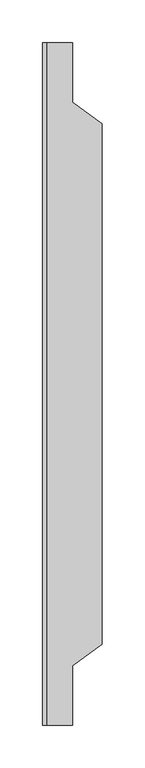
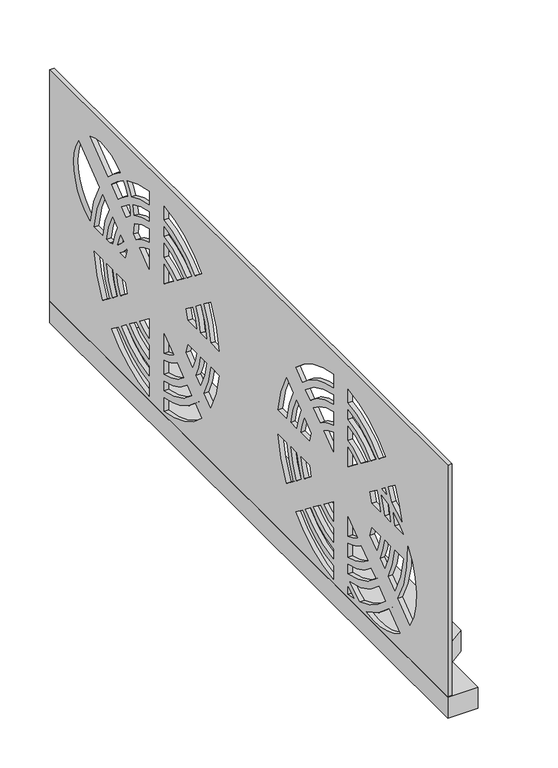
"""IFC4 building model written with IfcOpenShell, lengths in millimetres: proxy geometry."""

from ifc_helpers import new_model, si_unit, point, frame, frame_2d, origin, origin_with_axes, place, context, project, spatial, polyline, circle_curve, trimmed, segment, composite_curve, outline, extrude, source, transform, mapped, element, save


def specialty_equipment_d9f46bde(model_context):
    return source(origin(), model_context, "Body", "SweptSolid", [
        extrude(outline(polyline([(-1157.5, 395.0345723), (-1122.5, 395.0345723), (-1122.5, 325.0345723), (-1087.5, 300.0345723), (-1087.5, -309.9654277), (-1122.5, -334.9654277), (-1122.5, -404.9654277), (-1157.5, -404.9654277), (-1157.5, 395.0345723)])), origin_with_axes(), (0.0, 0.0, 1.0), 26.0),
        extrude(outline(polyline([(395.0345723, 310.0), (395.0345723, 0.0), (-404.9654277, 0.0), (-404.9654277, 310.0), (395.0345723, 310.0)]), holes=[composite_curve([segment(trimmed(circle_curve(frame_2d((-259.9654277, 112.0)), 82.0), [point((-324.8474355, 162.143046))], [point((-329.2620503, 68.1596295))], True, "CARTESIAN"), True, "CONTINUOUS"), segment(polyline([(-329.2620503, 68.1596295), (-305.4144151, 86.5247809)]), True, "CONTINUOUS"), segment(trimmed(circle_curve(frame_2d((-189.9654277, 156.5)), 135.0), [point((-305.4144151, 86.5247809))], [point((-324.8474355, 162.143046))], False, "CARTESIAN"), True, "CONTINUOUS")], self_intersect=False), composite_curve([segment(trimmed(circle_curve(frame_2d((-189.9654275, 156.5)), 126.5000002), [point((-315.4670051, 172.3620319))], [point((-315.5729513, 171.5))], True, "CARTESIAN"), True, "CONTINUOUS"), segment(polyline([(-315.5729513, 171.5), (-298.9379012, 171.5)]), True, "CONTINUOUS"), segment(trimmed(circle_curve(frame_2d((-189.9654277, 156.5)), 110.0), [point((-298.9379012, 171.5))], [point((-296.0352847, 185.6407863))], False, "CARTESIAN"), True, "CONTINUOUS"), segment(trimmed(circle_curve(frame_2d((-259.9654277, 112.0)), 82.0), [point((-296.0352847, 185.6407863))], [point((-315.4670051, 172.3620319))], True, "CARTESIAN"), True, "CONTINUOUS")], self_intersect=False), composite_curve([segment(trimmed(circle_curve(frame_2d((-189.9654277, 156.5)), 126.5), [point((-298.6351452, 221.2544785))], [point((-313.1636, 185.2134172))], True, "CARTESIAN"), True, "CONTINUOUS"), segment(trimmed(circle_curve(frame_2d((-259.9654277, 112.0)), 90.5), [point((-313.1636, 185.2134172))], [point((-292.4465328, 196.4702777))], False, "CARTESIAN"), True, "CONTINUOUS"), segment(trimmed(circle_curve(frame_2d((-189.9654277, 156.5)), 110.0), [point((-292.4465328, 196.4702777))], [point((-285.4553673, 211.1046831))], False, "CARTESIAN"), True, "CONTINUOUS"), segment(polyline([(-285.4553673, 211.1046831), (-298.6351452, 221.2544785)]), True, "CONTINUOUS")], self_intersect=False), composite_curve([segment(polyline([(-298.9379012, 141.5), (-315.5729513, 141.5)]), True, "CONTINUOUS"), segment(trimmed(circle_curve(frame_2d((-189.9654277, 156.5)), 126.5), [point((-315.5729513, 141.5))], [point((-298.6351452, 91.7455215))], True, "CARTESIAN"), True, "CONTINUOUS"), segment(polyline([(-298.6351452, 91.7455215), (-285.4553673, 101.8953169)]), True, "CONTINUOUS"), segment(trimmed(circle_curve(frame_2d((-189.9654277, 156.5)), 110.0), [point((-285.4553673, 101.8953169))], [point((-298.9379012, 141.5))], False, "CARTESIAN"), True, "CONTINUOUS")], self_intersect=False), composite_curve([segment(trimmed(circle_curve(frame_2d((-189.9654277, 156.5)), 101.5), [point((-278.6520026, 205.8653869))], [point((-281.7473904, 199.8396044))], True, "CARTESIAN"), True, "CONTINUOUS"), segment(trimmed(circle_curve(frame_2d((-259.9654277, 112.0)), 90.5), [point((-281.7473904, 199.8396044))], [point((-273.0476541, 201.5494576))], False, "CARTESIAN"), True, "CONTINUOUS"), segment(polyline([(-273.0476541, 201.5494576), (-278.6520026, 205.8653869)]), True, "CONTINUOUS")], self_intersect=False), composite_curve([segment(trimmed(circle_curve(frame_2d((-189.9654277, 156.5)), 101.5), [point((-285.8442041, 189.8093113))], [point((-290.3509346, 171.5))], True, "CARTESIAN"), True, "CONTINUOUS"), segment(polyline([(-290.3509346, 171.5), (-278.7066244, 171.5)]), True, "CONTINUOUS"), segment(trimmed(circle_curve(frame_2d((-189.9654277, 156.5)), 90.0), [point((-278.7066244, 171.5))], [point((-272.1949248, 193.0829168))], False, "CARTESIAN"), True, "CONTINUOUS"), segment(trimmed(circle_curve(frame_2d((-259.9654277, 112.0)), 82.0), [point((-272.1949248, 193.0829168))], [point((-285.8442041, 189.8093113))], True, "CARTESIAN"), True, "CONTINUOUS")], self_intersect=False), composite_curve([segment(polyline([(-278.7066244, 141.5), (-290.3509346, 141.5)]), True, "CONTINUOUS"), segment(trimmed(circle_curve(frame_2d((-189.9654277, 156.5)), 101.5), [point((-290.3509346, 141.5))], [point((-278.6520026, 107.1346131))], True, "CARTESIAN"), True, "CONTINUOUS"), segment(polyline([(-278.6520026, 107.1346131), (-269.4263362, 114.2393326)]), True, "CONTINUOUS"), segment(trimmed(circle_curve(frame_2d((-189.9654277, 156.5)), 90.0), [point((-269.4263362, 114.2393326))], [point((-278.7066244, 141.5))], False, "CARTESIAN"), True, "CONTINUOUS")], self_intersect=False), composite_curve([segment(trimmed(circle_curve(frame_2d((-189.9654277, 156.5)), 81.5), [point((-262.5861378, 193.4930055))], [point((-270.0731676, 171.5))], True, "CARTESIAN"), True, "CONTINUOUS"), segment(polyline([(-270.0731676, 171.5), (-253.2109809, 171.5)]), True, "CONTINUOUS"), segment(trimmed(circle_curve(frame_2d((-189.9654277, 156.5)), 65.0), [point((-253.2109809, 171.5))], [point((-249.2264019, 183.2046238))], False, "CARTESIAN"), True, "CONTINUOUS"), segment(polyline([(-249.2264019, 183.2046238), (-262.5861378, 193.4930055)]), True, "CONTINUOUS")], self_intersect=False), composite_curve([segment(polyline([(-253.2109809, 141.5), (-270.0731676, 141.5)]), True, "CONTINUOUS"), segment(trimmed(circle_curve(frame_2d((-189.9654277, 156.5)), 81.5), [point((-270.0731676, 141.5))], [point((-262.5861378, 119.5069945))], True, "CARTESIAN"), True, "CONTINUOUS"), segment(polyline([(-262.5861378, 119.5069945), (-249.2264019, 129.7953762)]), True, "CONTINUOUS"), segment(trimmed(circle_curve(frame_2d((-189.9654277, 156.5)), 65.0), [point((-249.2264019, 129.7953762))], [point((-253.2109809, 141.5))], False, "CARTESIAN"), True, "CONTINUOUS")], self_intersect=False), composite_curve([segment(polyline([(-287.1100602, 62.7560916), (-308.7504103, 46.0907786)]), True, "CONTINUOUS"), segment(trimmed(circle_curve(frame_2d((-259.9654277, 112.0)), 82.0), [point((-308.7504103, 46.0907786))], [point((-242.0951563, 31.9709215))], True, "CARTESIAN"), True, "CONTINUOUS"), segment(trimmed(circle_curve(frame_2d((-189.9654277, 156.5)), 135.0), [point((-242.0951563, 31.9709215))], [point((-287.1100602, 62.7560916))], False, "CARTESIAN"), True, "CONTINUOUS")], self_intersect=False), composite_curve([segment(polyline([(-267.1510124, 78.1266276), (-280.3307903, 67.9768322)]), True, "CONTINUOUS"), segment(trimmed(circle_curve(frame_2d((-189.9654277, 156.5)), 126.5), [point((-280.3307903, 67.9768322))], [point((-228.8612195, 36.1282119))], True, "CARTESIAN"), True, "CONTINUOUS"), segment(trimmed(circle_curve(frame_2d((-259.9654277, 112.0)), 82.0), [point((-228.8612195, 36.1282119))], [point((-208.5912575, 48.0883841))], True, "CARTESIAN"), True, "CONTINUOUS"), segment(trimmed(circle_curve(frame_2d((-189.9654277, 156.5)), 110.0), [point((-208.5912575, 48.0883841))], [point((-267.1510124, 78.1266276))], False, "CARTESIAN"), True, "CONTINUOUS")], self_intersect=False), composite_curve([segment(trimmed(circle_curve(frame_2d((-189.9654277, 156.5)), 126.5), [point((-204.9654277, 282.1075237))], [point((-280.3307903, 245.0231678))], True, "CARTESIAN"), True, "CONTINUOUS"), segment(polyline([(-280.3307903, 245.0231678), (-267.1510124, 234.8733724)]), True, "CONTINUOUS"), segment(trimmed(circle_curve(frame_2d((-189.9654277, 156.5)), 110.0), [point((-267.1510124, 234.8733724))], [point((-204.9654277, 265.4724736))], False, "CARTESIAN"), True, "CONTINUOUS"), segment(polyline([(-204.9654277, 265.4724736), (-204.9654277, 282.1075237)]), True, "CONTINUOUS")], self_intersect=False), composite_curve([segment(polyline([(-204.9654277, 126.0159748), (-223.9712241, 111.3795411)]), True, "CONTINUOUS"), segment(trimmed(circle_curve(frame_2d((-189.9654277, 156.5)), 56.5), [point((-223.9712241, 111.3795411))], [point((-204.9654277, 102.0275299))], True, "CARTESIAN"), True, "CONTINUOUS"), segment(polyline([(-204.9654277, 102.0275299), (-204.9654277, 126.0159748)]), True, "CONTINUOUS")], self_intersect=False), composite_curve([segment(trimmed(circle_curve(frame_2d((-189.9654277, 156.5)), 65.0), [point((-204.9654277, 93.2544468))], [point((-230.922047, 106.0266869))], False, "CARTESIAN"), True, "CONTINUOUS"), segment(polyline([(-230.922047, 106.0266869), (-244.2817829, 95.7383052)]), True, "CONTINUOUS"), segment(trimmed(circle_curve(frame_2d((-189.9654277, 156.5)), 81.5), [point((-244.2817829, 95.7383052))], [point((-204.9654277, 76.39226))], True, "CARTESIAN"), True, "CONTINUOUS"), segment(polyline([(-204.9654277, 76.39226), (-204.9654277, 93.2544468)]), True, "CONTINUOUS")], self_intersect=False), composite_curve([segment(trimmed(circle_curve(frame_2d((-189.9654277, 156.5)), 56.5), [point((-204.9654277, 210.9724701))], [point((-223.9712241, 201.6204589))], True, "CARTESIAN"), True, "CONTINUOUS"), segment(polyline([(-223.9712241, 201.6204589), (-204.9654277, 186.9840252), (-204.9654277, 210.9724701)]), True, "CONTINUOUS")], self_intersect=False), composite_curve([segment(polyline([(-244.2817829, 217.2616948), (-230.922047, 206.9733131)]), True, "CONTINUOUS"), segment(trimmed(circle_curve(frame_2d((-189.9654277, 156.5)), 65.0), [point((-230.922047, 206.9733131))], [point((-204.9654277, 219.7455532))], False, "CARTESIAN"), True, "CONTINUOUS"), segment(polyline([(-204.9654277, 219.7455532), (-204.9654277, 236.60774)]), True, "CONTINUOUS"), segment(trimmed(circle_curve(frame_2d((-189.9654277, 156.5)), 81.5), [point((-204.9654277, 236.60774))], [point((-244.2817829, 217.2616948))], True, "CARTESIAN"), True, "CONTINUOUS")], self_intersect=False), composite_curve([segment(trimmed(circle_curve(frame_2d((-189.9654277, 156.5)), 90.0), [point((-204.9654277, 67.7588033))], [point((-251.1219813, 90.4706433))], False, "CARTESIAN"), True, "CONTINUOUS"), segment(polyline([(-251.1219813, 90.4706433), (-260.3476477, 83.3659238)]), True, "CONTINUOUS"), segment(trimmed(circle_curve(frame_2d((-189.9654277, 156.5)), 101.5), [point((-260.3476477, 83.3659238))], [point((-204.9654277, 56.1144931))], True, "CARTESIAN"), True, "CONTINUOUS"), segment(polyline([(-204.9654277, 56.1144931), (-204.9654277, 67.7588033)]), True, "CONTINUOUS")], self_intersect=False), composite_curve([segment(polyline([(-260.3476477, 229.6340762), (-251.1219813, 222.5293567)]), True, "CONTINUOUS"), segment(trimmed(circle_curve(frame_2d((-189.9654277, 156.5)), 90.0), [point((-251.1219813, 222.5293567))], [point((-204.9654277, 245.2411967))], False, "CARTESIAN"), True, "CONTINUOUS"), segment(polyline([(-204.9654277, 245.2411967), (-204.9654277, 256.8855069)]), True, "CONTINUOUS"), segment(trimmed(circle_curve(frame_2d((-189.9654277, 156.5)), 101.5), [point((-204.9654277, 256.8855069))], [point((-260.3476477, 229.6340762))], True, "CARTESIAN"), True, "CONTINUOUS")], self_intersect=False), composite_curve([segment(trimmed(circle_curve(frame_2d((-259.9654277, 112.0)), 90.5), [point((-204.9654277, 40.1303263))], [point((-216.2469254, 32.7602211))], False, "CARTESIAN"), True, "CONTINUOUS"), segment(trimmed(circle_curve(frame_2d((-189.9654277, 156.5)), 126.5), [point((-216.2469254, 32.7602211))], [point((-204.9654277, 30.8924763))], True, "CARTESIAN"), True, "CONTINUOUS"), segment(polyline([(-204.9654277, 30.8924763), (-204.9654277, 40.1303263)]), True, "CONTINUOUS")], self_intersect=False), composite_curve([segment(polyline([(-174.9654277, 126.0159748), (-174.9654277, 102.0275299)]), True, "CONTINUOUS"), segment(trimmed(circle_curve(frame_2d((-189.9654277, 156.5)), 56.5), [point((-174.9654277, 102.0275299))], [point((-155.9596312, 111.3795411))], True, "CARTESIAN"), True, "CONTINUOUS"), segment(polyline([(-155.9596312, 111.3795411), (-174.9654277, 126.0159748)]), True, "CONTINUOUS")], self_intersect=False), composite_curve([segment(polyline([(-174.9654277, 210.9724701), (-174.9654277, 186.9840252), (-155.9596312, 201.6204589)]), True, "CONTINUOUS"), segment(trimmed(circle_curve(frame_2d((-189.9654277, 156.5)), 56.5), [point((-155.9596312, 201.6204589))], [point((-174.9654277, 210.9724701))], True, "CARTESIAN"), True, "CONTINUOUS")], self_intersect=False), composite_curve([segment(trimmed(circle_curve(frame_2d((-189.9654277, 156.5)), 65.0), [point((-149.0088083, 106.0266869))], [point((-174.9654277, 93.2544468))], False, "CARTESIAN"), True, "CONTINUOUS"), segment(polyline([(-174.9654277, 93.2544468), (-174.9654277, 76.39226)]), True, "CONTINUOUS"), segment(trimmed(circle_curve(frame_2d((-189.9654277, 156.5)), 81.5), [point((-174.9654277, 76.39226))], [point((-135.6490724, 95.7383052))], True, "CARTESIAN"), True, "CONTINUOUS"), segment(polyline([(-135.6490724, 95.7383052), (-149.0088083, 106.0266869)]), True, "CONTINUOUS")], self_intersect=False), composite_curve([segment(polyline([(-174.9654277, 236.60774), (-174.9654277, 219.7455532)]), True, "CONTINUOUS"), segment(trimmed(circle_curve(frame_2d((-189.9654277, 156.5)), 65.0), [point((-174.9654277, 219.7455532))], [point((-149.0088083, 206.9733131))], False, "CARTESIAN"), True, "CONTINUOUS"), segment(polyline([(-149.0088083, 206.9733131), (-135.6490724, 217.2616948)]), True, "CONTINUOUS"), segment(trimmed(circle_curve(frame_2d((-189.9654277, 156.5)), 81.5), [point((-135.6490724, 217.2616948))], [point((-174.9654277, 236.60774))], True, "CARTESIAN"), True, "CONTINUOUS")], self_intersect=False), composite_curve([segment(trimmed(circle_curve(frame_2d((-189.9654277, 156.5)), 90.0), [point((-128.808874, 90.4706433))], [point((-174.9654277, 67.7588033))], False, "CARTESIAN"), True, "CONTINUOUS"), segment(polyline([(-174.9654277, 67.7588033), (-174.9654277, 56.1144931)]), True, "CONTINUOUS"), segment(trimmed(circle_curve(frame_2d((-189.9654277, 156.5)), 101.5), [point((-174.9654277, 56.1144931))], [point((-119.5832076, 83.3659238))], True, "CARTESIAN"), True, "CONTINUOUS"), segment(polyline([(-119.5832076, 83.3659238), (-128.808874, 90.4706433)]), True, "CONTINUOUS")], self_intersect=False), composite_curve([segment(polyline([(-174.9654277, 256.8855069), (-174.9654277, 245.2411967)]), True, "CONTINUOUS"), segment(trimmed(circle_curve(frame_2d((-189.9654277, 156.5)), 90.0), [point((-174.9654277, 245.2411967))], [point((-128.808874, 222.5293567))], False, "CARTESIAN"), True, "CONTINUOUS"), segment(polyline([(-128.808874, 222.5293567), (-119.5832076, 229.6340762)]), True, "CONTINUOUS"), segment(trimmed(circle_curve(frame_2d((-189.9654277, 156.5)), 101.5), [point((-119.5832076, 229.6340762))], [point((-174.9654277, 256.8855069))], True, "CARTESIAN"), True, "CONTINUOUS")], self_intersect=False), composite_curve([segment(polyline([(-117.3447175, 193.4930055), (-130.7044534, 183.2046238)]), True, "CONTINUOUS"), segment(trimmed(circle_curve(frame_2d((-189.9654277, 156.5)), 65.0), [point((-130.7044534, 183.2046238))], [point((-126.7198745, 171.5))], False, "CARTESIAN"), True, "CONTINUOUS"), segment(polyline([(-126.7198745, 171.5), (-109.8576877, 171.5)]), True, "CONTINUOUS"), segment(trimmed(circle_curve(frame_2d((-189.9654277, 156.5)), 81.5), [point((-109.8576877, 171.5))], [point((-117.3447175, 193.4930055))], True, "CARTESIAN"), True, "CONTINUOUS")], self_intersect=False), composite_curve([segment(trimmed(circle_curve(frame_2d((-189.9654277, 156.5)), 65.0), [point((-126.7198745, 141.5))], [point((-130.7044534, 129.7953762))], False, "CARTESIAN"), True, "CONTINUOUS"), segment(polyline([(-130.7044534, 129.7953762), (-117.3447175, 119.5069945)]), True, "CONTINUOUS"), segment(trimmed(circle_curve(frame_2d((-189.9654277, 156.5)), 81.5), [point((-117.3447175, 119.5069945))], [point((-109.8576877, 141.5))], True, "CARTESIAN"), True, "CONTINUOUS"), segment(polyline([(-109.8576877, 141.5), (-126.7198745, 141.5)]), True, "CONTINUOUS")], self_intersect=False), composite_curve([segment(trimmed(circle_curve(frame_2d((-189.9654277, 156.5)), 110.0), [point((-112.7798429, 78.1266276))], [point((-174.9654277, 47.5275264))], False, "CARTESIAN"), True, "CONTINUOUS"), segment(polyline([(-174.9654277, 47.5275264), (-174.9654277, 30.8924763)]), True, "CONTINUOUS"), segment(trimmed(circle_curve(frame_2d((-189.9654277, 156.5)), 126.5), [point((-174.9654277, 30.8924763))], [point((-99.600065, 67.9768322))], True, "CARTESIAN"), True, "CONTINUOUS"), segment(polyline([(-99.600065, 67.9768322), (-112.7798429, 78.1266276)]), True, "CONTINUOUS")], self_intersect=False), composite_curve([segment(polyline([(-174.9654277, 282.1075237), (-174.9654277, 265.4724736)]), True, "CONTINUOUS"), segment(trimmed(circle_curve(frame_2d((-189.9654277, 156.5)), 110.0), [point((-174.9654277, 265.4724736))], [point((-112.7798429, 234.8733724))], False, "CARTESIAN"), True, "CONTINUOUS"), segment(polyline([(-112.7798429, 234.8733724), (-99.600065, 245.0231678)]), True, "CONTINUOUS"), segment(trimmed(circle_curve(frame_2d((-189.9654277, 156.5)), 126.5), [point((-99.600065, 245.0231678))], [point((-174.9654277, 282.1075237))], True, "CARTESIAN"), True, "CONTINUOUS")], self_intersect=False), composite_curve([segment(trimmed(circle_curve(frame_2d((-189.9654277, 156.5)), 90.0), [point((-101.2242309, 141.5))], [point((-110.5045191, 114.2393326))], False, "CARTESIAN"), True, "CONTINUOUS"), segment(polyline([(-110.5045191, 114.2393326), (-101.2788527, 107.1346131)]), True, "CONTINUOUS"), segment(trimmed(circle_curve(frame_2d((-189.9654277, 156.5)), 101.5), [point((-101.2788527, 107.1346131))], [point((-89.5799207, 141.5))], True, "CARTESIAN"), True, "CONTINUOUS"), segment(polyline([(-89.5799207, 141.5), (-101.2242309, 141.5)]), True, "CONTINUOUS")], self_intersect=False), composite_curve([segment(polyline([(-101.2788527, 205.8653869), (-110.5045191, 198.7606674)]), True, "CONTINUOUS"), segment(trimmed(circle_curve(frame_2d((-189.9654277, 156.5)), 90.0), [point((-110.5045191, 198.7606674))], [point((-101.2242309, 171.5))], False, "CARTESIAN"), True, "CONTINUOUS"), segment(polyline([(-101.2242309, 171.5), (-89.5799207, 171.5)]), True, "CONTINUOUS"), segment(trimmed(circle_curve(frame_2d((-189.9654277, 156.5)), 101.5), [point((-89.5799207, 171.5))], [point((-101.2788527, 205.8653869))], True, "CARTESIAN"), True, "CONTINUOUS")], self_intersect=False), composite_curve([segment(polyline([(-81.2957101, 221.2544785), (-94.475488, 211.1046831)]), True, "CONTINUOUS"), segment(trimmed(circle_curve(frame_2d((-189.9654277, 156.5)), 110.0), [point((-94.475488, 211.1046831))], [point((-80.9929541, 171.5))], False, "CARTESIAN"), True, "CONTINUOUS"), segment(polyline([(-80.9929541, 171.5), (-64.357904, 171.5)]), True, "CONTINUOUS"), segment(trimmed(circle_curve(frame_2d((-189.9654277, 156.5)), 126.5), [point((-64.357904, 171.5))], [point((-81.2957101, 221.2544785))], True, "CARTESIAN"), True, "CONTINUOUS")], self_intersect=False), composite_curve([segment(trimmed(circle_curve(frame_2d((-189.9654277, 156.5)), 110.0), [point((-80.9929541, 141.5))], [point((-94.475488, 101.8953169))], False, "CARTESIAN"), True, "CONTINUOUS"), segment(polyline([(-94.475488, 101.8953169), (-81.2957101, 91.7455215)]), True, "CONTINUOUS"), segment(trimmed(circle_curve(frame_2d((-189.9654277, 156.5)), 126.5), [point((-81.2957101, 91.7455215))], [point((-64.357904, 141.5))], True, "CARTESIAN"), True, "CONTINUOUS"), segment(polyline([(-64.357904, 141.5), (-80.9929541, 141.5)]), True, "CONTINUOUS")], self_intersect=False), composite_curve([segment(trimmed(circle_curve(frame_2d((180.0345723, 156.5)), 126.5), [point((71.3648548, 221.2544785))], [point((54.4270487, 171.5))], True, "CARTESIAN"), True, "CONTINUOUS"), segment(polyline([(54.4270487, 171.5), (71.0620988, 171.5)]), True, "CONTINUOUS"), segment(trimmed(circle_curve(frame_2d((180.0345723, 156.5)), 110.0), [point((71.0620988, 171.5))], [point((84.5446327, 211.1046831))], False, "CARTESIAN"), True, "CONTINUOUS"), segment(polyline([(84.5446327, 211.1046831), (71.3648548, 221.2544785)]), True, "CONTINUOUS")], self_intersect=False), composite_curve([segment(polyline([(71.0620988, 141.5), (54.4270487, 141.5)]), True, "CONTINUOUS"), segment(trimmed(circle_curve(frame_2d((180.0345723, 156.5)), 126.5), [point((54.4270487, 141.5))], [point((71.3648548, 91.7455215))], True, "CARTESIAN"), True, "CONTINUOUS"), segment(polyline([(71.3648548, 91.7455215), (84.5446327, 101.8953169)]), True, "CONTINUOUS"), segment(trimmed(circle_curve(frame_2d((180.0345723, 156.5)), 110.0), [point((84.5446327, 101.8953169))], [point((71.0620988, 141.5))], False, "CARTESIAN"), True, "CONTINUOUS")], self_intersect=False), composite_curve([segment(trimmed(circle_curve(frame_2d((180.0345723, 156.5)), 101.5), [point((91.3479974, 205.8653869))], [point((79.6490654, 171.5))], True, "CARTESIAN"), True, "CONTINUOUS"), segment(polyline([(79.6490654, 171.5), (91.2933756, 171.5)]), True, "CONTINUOUS"), segment(trimmed(circle_curve(frame_2d((180.0345723, 156.5)), 90.0), [point((91.2933756, 171.5))], [point((100.5736638, 198.7606674))], False, "CARTESIAN"), True, "CONTINUOUS"), segment(polyline([(100.5736638, 198.7606674), (91.3479974, 205.8653869)]), True, "CONTINUOUS")], self_intersect=False), composite_curve([segment(polyline([(91.2933756, 141.5), (79.6490654, 141.5)]), True, "CONTINUOUS"), segment(trimmed(circle_curve(frame_2d((180.0345723, 156.5)), 101.5), [point((79.6490654, 141.5))], [point((91.3479974, 107.1346131))], True, "CARTESIAN"), True, "CONTINUOUS"), segment(polyline([(91.3479974, 107.1346131), (100.5736638, 114.2393326)]), True, "CONTINUOUS"), segment(trimmed(circle_curve(frame_2d((180.0345723, 156.5)), 90.0), [point((100.5736638, 114.2393326))], [point((91.2933756, 141.5))], False, "CARTESIAN"), True, "CONTINUOUS")], self_intersect=False), composite_curve([segment(polyline([(116.7890191, 141.5), (99.9268324, 141.5)]), True, "CONTINUOUS"), segment(trimmed(circle_curve(frame_2d((180.0345723, 156.5)), 81.5), [point((99.9268324, 141.5))], [point((107.4138622, 119.5069945))], True, "CARTESIAN"), True, "CONTINUOUS"), segment(polyline([(107.4138622, 119.5069945), (120.7735981, 129.7953762)]), True, "CONTINUOUS"), segment(trimmed(circle_curve(frame_2d((180.0345723, 156.5)), 65.0), [point((120.7735981, 129.7953762))], [point((116.7890191, 141.5))], False, "CARTESIAN"), True, "CONTINUOUS")], self_intersect=False), composite_curve([segment(trimmed(circle_curve(frame_2d((180.0345723, 156.5)), 81.5), [point((107.4138622, 193.4930055))], [point((99.9268324, 171.5))], True, "CARTESIAN"), True, "CONTINUOUS"), segment(polyline([(99.9268324, 171.5), (116.7890191, 171.5)]), True, "CONTINUOUS"), segment(trimmed(circle_curve(frame_2d((180.0345723, 156.5)), 65.0), [point((116.7890191, 171.5))], [point((120.7735981, 183.2046238))], False, "CARTESIAN"), True, "CONTINUOUS"), segment(polyline([(120.7735981, 183.2046238), (107.4138622, 193.4930055)]), True, "CONTINUOUS")], self_intersect=False), composite_curve([segment(trimmed(circle_curve(frame_2d((180.0345723, 156.5)), 126.5), [point((165.0345723, 282.1075237))], [point((89.6692097, 245.0231678))], True, "CARTESIAN"), True, "CONTINUOUS"), segment(polyline([(89.6692097, 245.0231678), (102.8489876, 234.8733724)]), True, "CONTINUOUS"), segment(trimmed(circle_curve(frame_2d((180.0345723, 156.5)), 110.0), [point((102.8489876, 234.8733724))], [point((165.0345723, 265.4724736))], False, "CARTESIAN"), True, "CONTINUOUS"), segment(polyline([(165.0345723, 265.4724736), (165.0345723, 282.1075237)]), True, "CONTINUOUS")], self_intersect=False), composite_curve([segment(polyline([(165.0345723, 126.0159748), (146.0287759, 111.3795411)]), True, "CONTINUOUS"), segment(trimmed(circle_curve(frame_2d((180.0345723, 156.5)), 56.5), [point((146.0287759, 111.3795411))], [point((165.0345723, 102.0275299))], True, "CARTESIAN"), True, "CONTINUOUS"), segment(polyline([(165.0345723, 102.0275299), (165.0345723, 126.0159748)]), True, "CONTINUOUS")], self_intersect=False), composite_curve([segment(trimmed(circle_curve(frame_2d((180.0345723, 156.5)), 65.0), [point((165.0345723, 93.2544468))], [point((139.077953, 106.0266869))], False, "CARTESIAN"), True, "CONTINUOUS"), segment(polyline([(139.077953, 106.0266869), (125.7182171, 95.7383052)]), True, "CONTINUOUS"), segment(trimmed(circle_curve(frame_2d((180.0345723, 156.5)), 81.5), [point((125.7182171, 95.7383052))], [point((165.0345723, 76.39226))], True, "CARTESIAN"), True, "CONTINUOUS"), segment(polyline([(165.0345723, 76.39226), (165.0345723, 93.2544468)]), True, "CONTINUOUS")], self_intersect=False), composite_curve([segment(trimmed(circle_curve(frame_2d((180.0345723, 156.5)), 56.5), [point((165.0345723, 210.9724701))], [point((146.0287759, 201.6204589))], True, "CARTESIAN"), True, "CONTINUOUS"), segment(polyline([(146.0287759, 201.6204589), (165.0345723, 186.9840252), (165.0345723, 210.9724701)]), True, "CONTINUOUS")], self_intersect=False), composite_curve([segment(polyline([(125.7182171, 217.2616948), (139.077953, 206.9733131)]), True, "CONTINUOUS"), segment(trimmed(circle_curve(frame_2d((180.0345723, 156.5)), 65.0), [point((139.077953, 206.9733131))], [point((165.0345723, 219.7455532))], False, "CARTESIAN"), True, "CONTINUOUS"), segment(polyline([(165.0345723, 219.7455532), (165.0345723, 236.60774)]), True, "CONTINUOUS"), segment(trimmed(circle_curve(frame_2d((180.0345723, 156.5)), 81.5), [point((165.0345723, 236.60774))], [point((125.7182171, 217.2616948))], True, "CARTESIAN"), True, "CONTINUOUS")], self_intersect=False), composite_curve([segment(trimmed(circle_curve(frame_2d((180.0345723, 156.5)), 90.0), [point((165.0345723, 67.7588033))], [point((118.8780187, 90.4706433))], False, "CARTESIAN"), True, "CONTINUOUS"), segment(polyline([(118.8780187, 90.4706433), (109.6523523, 83.3659238)]), True, "CONTINUOUS"), segment(trimmed(circle_curve(frame_2d((180.0345723, 156.5)), 101.5), [point((109.6523523, 83.3659238))], [point((165.0345723, 56.1144931))], True, "CARTESIAN"), True, "CONTINUOUS"), segment(polyline([(165.0345723, 56.1144931), (165.0345723, 67.7588033)]), True, "CONTINUOUS")], self_intersect=False), composite_curve([segment(polyline([(109.6523523, 229.6340762), (118.8780187, 222.5293567)]), True, "CONTINUOUS"), segment(trimmed(circle_curve(frame_2d((180.0345723, 156.5)), 90.0), [point((118.8780187, 222.5293567))], [point((165.0345723, 245.2411967))], False, "CARTESIAN"), True, "CONTINUOUS"), segment(polyline([(165.0345723, 245.2411967), (165.0345723, 256.8855069)]), True, "CONTINUOUS"), segment(trimmed(circle_curve(frame_2d((180.0345723, 156.5)), 101.5), [point((165.0345723, 256.8855069))], [point((109.6523523, 229.6340762))], True, "CARTESIAN"), True, "CONTINUOUS")], self_intersect=False), composite_curve([segment(trimmed(circle_curve(frame_2d((180.0345723, 156.5)), 110.0), [point((165.0345723, 47.5275264))], [point((102.8489876, 78.1266276))], False, "CARTESIAN"), True, "CONTINUOUS"), segment(polyline([(102.8489876, 78.1266276), (89.6692097, 67.9768322)]), True, "CONTINUOUS"), segment(trimmed(circle_curve(frame_2d((180.0345723, 156.5)), 126.5), [point((89.6692097, 67.9768322))], [point((165.0345723, 30.8924763))], True, "CARTESIAN"), True, "CONTINUOUS"), segment(polyline([(165.0345723, 30.8924763), (165.0345723, 47.5275264)]), True, "CONTINUOUS")], self_intersect=False), composite_curve([segment(polyline([(195.0345723, 126.0159748), (195.0345723, 102.0275299)]), True, "CONTINUOUS"), segment(trimmed(circle_curve(frame_2d((180.0345723, 156.5)), 56.5), [point((195.0345723, 102.0275299))], [point((214.0403688, 111.3795411))], True, "CARTESIAN"), True, "CONTINUOUS"), segment(polyline([(214.0403688, 111.3795411), (195.0345723, 126.0159748)]), True, "CONTINUOUS")], self_intersect=False), composite_curve([segment(polyline([(195.0345723, 210.9724701), (195.0345723, 186.9840252), (214.0403688, 201.6204589)]), True, "CONTINUOUS"), segment(trimmed(circle_curve(frame_2d((180.0345723, 156.5)), 56.5), [point((214.0403688, 201.6204589))], [point((195.0345723, 210.9724701))], True, "CARTESIAN"), True, "CONTINUOUS")], self_intersect=False), composite_curve([segment(trimmed(circle_curve(frame_2d((180.0345723, 156.5)), 81.5), [point((224.5460973, 224.7713274))], [point((195.0345723, 236.60774))], True, "CARTESIAN"), True, "CONTINUOUS"), segment(polyline([(195.0345723, 236.60774), (195.0345723, 219.7455532)]), True, "CONTINUOUS"), segment(trimmed(circle_curve(frame_2d((180.0345723, 156.5)), 65.0), [point((195.0345723, 219.7455532))], [point((220.9911917, 206.9733131))], False, "CARTESIAN"), True, "CONTINUOUS"), segment(polyline([(220.9911917, 206.9733131), (226.266785, 211.0360669)]), True, "CONTINUOUS"), segment(trimmed(circle_curve(frame_2d((290.0345723, 226.0)), 65.5), [point((226.266785, 211.0360669))], [point((224.5460973, 224.7713274))], False, "CARTESIAN"), True, "CONTINUOUS")], self_intersect=False), composite_curve([segment(polyline([(195.0345723, 256.8855069), (195.0345723, 245.2411967)]), True, "CONTINUOUS"), segment(trimmed(circle_curve(frame_2d((180.0345723, 156.5)), 90.0), [point((195.0345723, 245.2411967))], [point((225.0776813, 234.4173815))], False, "CARTESIAN"), True, "CONTINUOUS"), segment(trimmed(circle_curve(frame_2d((290.0345723, 226.0)), 65.5), [point((225.0776813, 234.4173815))], [point((227.6988323, 246.1123224))], False, "CARTESIAN"), True, "CONTINUOUS"), segment(trimmed(circle_curve(frame_2d((180.0345723, 156.5)), 101.5), [point((227.6988323, 246.1123224))], [point((195.0345723, 256.8855069))], True, "CARTESIAN"), True, "CONTINUOUS")], self_intersect=False), composite_curve([segment(trimmed(circle_curve(frame_2d((180.0345723, 156.5)), 65.0), [point((220.9911917, 106.0266869))], [point((195.0345723, 93.2544468))], False, "CARTESIAN"), True, "CONTINUOUS"), segment(polyline([(195.0345723, 93.2544468), (195.0345723, 76.39226)]), True, "CONTINUOUS"), segment(trimmed(circle_curve(frame_2d((180.0345723, 156.5)), 81.5), [point((195.0345723, 76.39226))], [point((234.3509276, 95.7383052))], True, "CARTESIAN"), True, "CONTINUOUS"), segment(polyline([(234.3509276, 95.7383052), (220.9911917, 106.0266869)]), True, "CONTINUOUS")], self_intersect=False), composite_curve([segment(polyline([(195.0345723, 282.1075237), (195.0345723, 265.4724736)]), True, "CONTINUOUS"), segment(trimmed(circle_curve(frame_2d((180.0345723, 156.5)), 110.0), [point((195.0345723, 265.4724736))], [point((230.8491925, 254.059594))], False, "CARTESIAN"), True, "CONTINUOUS"), segment(trimmed(circle_curve(frame_2d((290.0345723, 226.0)), 65.5), [point((230.8491925, 254.059594))], [point((239.7762502, 268.004179))], False, "CARTESIAN"), True, "CONTINUOUS"), segment(trimmed(circle_curve(frame_2d((180.0345723, 156.5)), 126.5), [point((239.7762502, 268.004179))], [point((195.0345723, 282.1075237))], True, "CARTESIAN"), True, "CONTINUOUS")], self_intersect=False), composite_curve([segment(trimmed(circle_curve(frame_2d((180.0345723, 156.5)), 90.0), [point((241.191126, 90.4706433))], [point((195.0345723, 67.7588033))], False, "CARTESIAN"), True, "CONTINUOUS"), segment(polyline([(195.0345723, 67.7588033), (195.0345723, 56.1144931)]), True, "CONTINUOUS"), segment(trimmed(circle_curve(frame_2d((180.0345723, 156.5)), 101.5), [point((195.0345723, 56.1144931))], [point((250.4167924, 83.3659238))], True, "CARTESIAN"), True, "CONTINUOUS"), segment(polyline([(250.4167924, 83.3659238), (241.191126, 90.4706433)]), True, "CONTINUOUS")], self_intersect=False), composite_curve([segment(trimmed(circle_curve(frame_2d((290.0345723, 226.0)), 57.0), [point((235.2332227, 241.6783952))], [point((233.1230514, 229.1747095))], True, "CARTESIAN"), True, "CONTINUOUS"), segment(trimmed(circle_curve(frame_2d((180.0345723, 156.5)), 90.0), [point((233.1230514, 229.1747095))], [point((241.191126, 222.5293567))], False, "CARTESIAN"), True, "CONTINUOUS"), segment(polyline([(241.191126, 222.5293567), (250.4167924, 229.6340762)]), True, "CONTINUOUS"), segment(trimmed(circle_curve(frame_2d((180.0345723, 156.5)), 101.5), [point((250.4167924, 229.6340762))], [point((235.2332227, 241.6783952))], True, "CARTESIAN"), True, "CONTINUOUS")], self_intersect=False), composite_curve([segment(polyline([(239.9910015, 183.7401962), (239.2955466, 183.2046238)]), True, "CONTINUOUS"), segment(trimmed(circle_curve(frame_2d((180.0345723, 156.5)), 65.0), [point((239.2955466, 183.2046238))], [point((243.2801255, 171.5))], False, "CARTESIAN"), True, "CONTINUOUS"), segment(polyline([(243.2801255, 171.5), (253.7027681, 171.5)]), True, "CONTINUOUS"), segment(trimmed(circle_curve(frame_2d((290.0345723, 226.0)), 65.5), [point((253.7027681, 171.5))], [point((239.9910015, 183.7401962))], False, "CARTESIAN"), True, "CONTINUOUS")], self_intersect=False), composite_curve([segment(polyline([(252.6552825, 193.4930055), (246.7333163, 188.9324775)]), True, "CONTINUOUS"), segment(trimmed(circle_curve(frame_2d((290.0345723, 226.0)), 57.0), [point((246.7333163, 188.9324775))], [point((258.505078, 178.5143075))], True, "CARTESIAN"), True, "CONTINUOUS"), segment(trimmed(circle_curve(frame_2d((180.0345723, 156.5)), 81.5), [point((258.505078, 178.5143075))], [point((252.6552825, 193.4930055))], True, "CARTESIAN"), True, "CONTINUOUS")], self_intersect=False), composite_curve([segment(trimmed(circle_curve(frame_2d((180.0345723, 156.5)), 65.0), [point((243.2801255, 141.5))], [point((239.2955466, 129.7953762))], False, "CARTESIAN"), True, "CONTINUOUS"), segment(polyline([(239.2955466, 129.7953762), (252.6552825, 119.5069945)]), True, "CONTINUOUS"), segment(trimmed(circle_curve(frame_2d((180.0345723, 156.5)), 81.5), [point((252.6552825, 119.5069945))], [point((260.1423123, 141.5))], True, "CARTESIAN"), True, "CONTINUOUS"), segment(polyline([(260.1423123, 141.5), (243.2801255, 141.5)]), True, "CONTINUOUS")], self_intersect=False), composite_curve([segment(trimmed(circle_curve(frame_2d((180.0345723, 156.5)), 110.0), [point((257.2201571, 78.1266276))], [point((195.0345723, 47.5275264))], False, "CARTESIAN"), True, "CONTINUOUS"), segment(polyline([(195.0345723, 47.5275264), (195.0345723, 30.8924763)]), True, "CONTINUOUS"), segment(trimmed(circle_curve(frame_2d((180.0345723, 156.5)), 126.5), [point((195.0345723, 30.8924763))], [point((270.399935, 67.9768322))], True, "CARTESIAN"), True, "CONTINUOUS"), segment(polyline([(270.399935, 67.9768322), (257.2201571, 78.1266276)]), True, "CONTINUOUS")], self_intersect=False), composite_curve([segment(trimmed(circle_curve(frame_2d((290.0345723, 226.0)), 57.0), [point((247.2512915, 263.6641856))], [point((238.2547424, 249.8295869))], True, "CARTESIAN"), True, "CONTINUOUS"), segment(trimmed(circle_curve(frame_2d((180.0345723, 156.5)), 110.0), [point((238.2547424, 249.8295869))], [point((257.2201571, 234.8733724))], False, "CARTESIAN"), True, "CONTINUOUS"), segment(polyline([(257.2201571, 234.8733724), (270.399935, 245.0231678)]), True, "CONTINUOUS"), segment(trimmed(circle_curve(frame_2d((180.0345723, 156.5)), 126.5), [point((270.399935, 245.0231678))], [point((247.2512915, 263.6641856))], True, "CARTESIAN"), True, "CONTINUOUS")], self_intersect=False), composite_curve([segment(trimmed(circle_curve(frame_2d((180.0345723, 156.5)), 90.0), [point((268.7757691, 141.5))], [point((259.4954809, 114.2393326))], False, "CARTESIAN"), True, "CONTINUOUS"), segment(polyline([(259.4954809, 114.2393326), (268.7211473, 107.1346131)]), True, "CONTINUOUS"), segment(trimmed(circle_curve(frame_2d((180.0345723, 156.5)), 101.5), [point((268.7211473, 107.1346131))], [point((280.4200793, 141.5))], True, "CARTESIAN"), True, "CONTINUOUS"), segment(polyline([(280.4200793, 141.5), (268.7757691, 141.5)]), True, "CONTINUOUS")], self_intersect=False), composite_curve([segment(polyline([(268.7211473, 205.8653869), (259.4954809, 198.7606674)]), True, "CONTINUOUS"), segment(trimmed(circle_curve(frame_2d((180.0345723, 156.5)), 90.0), [point((259.4954809, 198.7606674))], [point((268.4642339, 173.2390248))], False, "CARTESIAN"), True, "CONTINUOUS"), segment(trimmed(circle_curve(frame_2d((290.0345723, 226.0)), 57.0), [point((268.4642339, 173.2390248))], [point((273.3387645, 171.5))], True, "CARTESIAN"), True, "CONTINUOUS"), segment(polyline([(273.3387645, 171.5), (280.4200793, 171.5)]), True, "CONTINUOUS"), segment(trimmed(circle_curve(frame_2d((180.0345723, 156.5)), 101.5), [point((280.4200793, 171.5))], [point((268.7211473, 205.8653869))], True, "CARTESIAN"), True, "CONTINUOUS")], self_intersect=False), composite_curve([segment(polyline([(288.7042899, 221.2544785), (275.524512, 211.1046831)]), True, "CONTINUOUS"), segment(trimmed(circle_curve(frame_2d((180.0345723, 156.5)), 110.0), [point((275.524512, 211.1046831))], [point((289.0070459, 171.5))], False, "CARTESIAN"), True, "CONTINUOUS"), segment(polyline([(289.0070459, 171.5), (305.642096, 171.5)]), True, "CONTINUOUS"), segment(trimmed(circle_curve(frame_2d((180.0345723, 156.5)), 126.5), [point((305.642096, 171.5))], [point((288.7042899, 221.2544785))], True, "CARTESIAN"), True, "CONTINUOUS")], self_intersect=False), composite_curve([segment(trimmed(circle_curve(frame_2d((180.0345723, 156.5)), 110.0), [point((289.0070459, 141.5))], [point((275.524512, 101.8953169))], False, "CARTESIAN"), True, "CONTINUOUS"), segment(polyline([(275.524512, 101.8953169), (288.7042899, 91.7455215)]), True, "CONTINUOUS"), segment(trimmed(circle_curve(frame_2d((180.0345723, 156.5)), 126.5), [point((288.7042899, 91.7455215))], [point((305.642096, 141.5))], True, "CARTESIAN"), True, "CONTINUOUS"), segment(polyline([(305.642096, 141.5), (289.0070459, 141.5)]), True, "CONTINUOUS")], self_intersect=False), composite_curve([segment(trimmed(circle_curve(frame_2d((180.0345723, 156.5)), 135.0), [point((253.5054983, 269.7564481))], [point((277.1792049, 250.2439084))], False, "CARTESIAN"), True, "CONTINUOUS"), segment(polyline([(277.1792049, 250.2439084), (313.2795315, 278.0449025)]), True, "CONTINUOUS"), segment(trimmed(circle_curve(frame_2d((290.0345723, 226.0)), 57.0), [point((313.2795315, 278.0449025))], [point((253.5054983, 269.7564481))], True, "CARTESIAN"), True, "CONTINUOUS")], self_intersect=False), composite_curve([segment(polyline([(336.9334422, 258.3959257), (295.4835598, 226.4752191)]), True, "CONTINUOUS"), segment(trimmed(circle_curve(frame_2d((180.0345723, 156.5)), 135.0), [point((295.4835598, 226.4752191))], [point((313.8664033, 174.2212028))], False, "CARTESIAN"), True, "CONTINUOUS"), segment(trimmed(circle_curve(frame_2d((290.0345723, 226.0)), 57.0), [point((313.8664033, 174.2212028))], [point((336.9334422, 258.3959257))], True, "CARTESIAN"), True, "CONTINUOUS")], self_intersect=False)]), frame((-1157.5, 0.0, 0.0), z_axis=(1.0, 0.0, 0.0), x_axis=(0.0, 1.0, 0.0)), (0.0, 0.0, 1.0), 5.0),
    ])


if __name__ == "__main__":
    model = new_model("IFC4")
    model_context = context("Model", 3, world=origin())
    ifc_project = project(units=[si_unit("LENGTHUNIT", "METRE", prefix="MILLI")], contexts=[model_context])
    site = spatial("IfcSite", under=ifc_project)
    building = spatial("IfcBuilding", under=site)
    placement = place(None, origin())
    specialty_equipment_shape = specialty_equipment_d9f46bde(model_context)
    element("IfcBuildingElementProxy", 1, Name="Specialty Equipment", at=placement, inside=building, context=model_context, shape_type="MappedRepresentation", body=[
        mapped(specialty_equipment_shape, transform((0.0, 0.0, 0.0), x_axis=(1.0, 0.0, 0.0), y_axis=(0.0, 1.0, 0.0), z_axis=(0.0, 0.0, 1.0))),
    ])
    save(model, "model.ifc")
